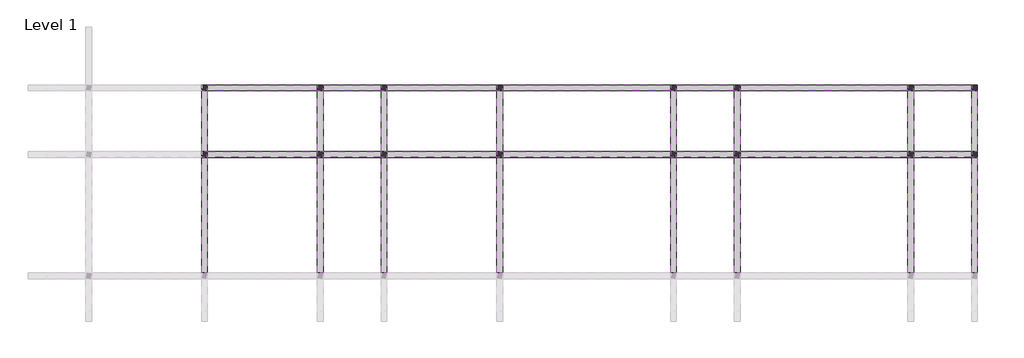
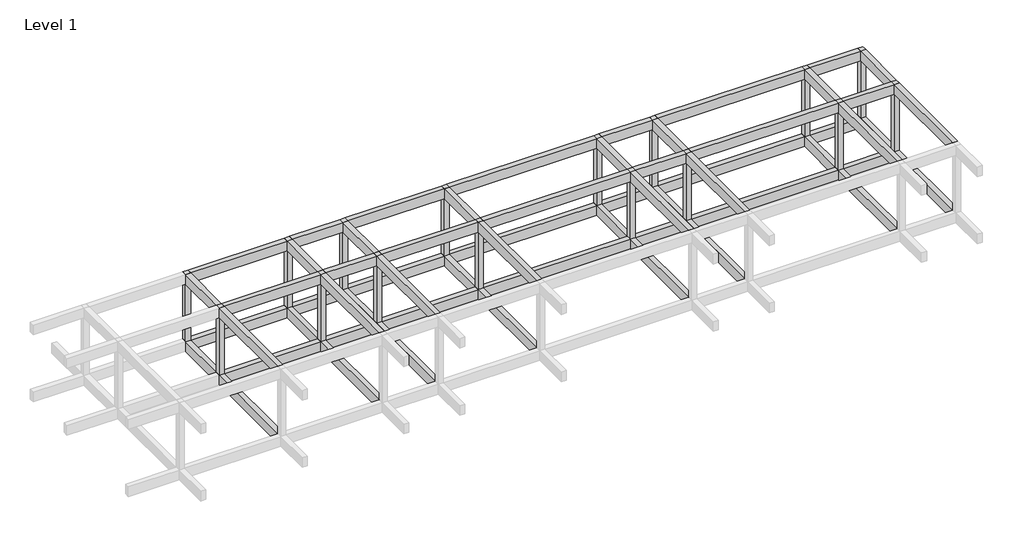
# One storey, part 5 of 5: 60 beams, 16 columns.
"""IFC4 building model written with IfcOpenShell, lengths in millimetres."""

from ifc_helpers import new_model, si_unit, frame, origin, origin_with_axes, place, context, project, spatial, polyline, outline, extrude, faceted_brep, element, save

model = new_model("IFC4")

# Units and contexts
model_context = context("Model", 3, world=origin())
ifc_project = project(units=[si_unit("LENGTHUNIT", "METRE", prefix="MILLI")], contexts=[model_context])

# Site, building, storey
site = spatial("IfcSite", under=ifc_project)
building = spatial("IfcBuilding", under=site)
storey = spatial("IfcBuildingStorey", under=building, Name="Level 1", Elevation=0.0)

# Beams
placement = place(None, origin())
element("IfcBeam", 1, ObjectType="M_Concrete-Rectangular Beam : 300 x 600mm", at=placement, inside=storey, context=model_context, shape_type="Brep", body=[
    faceted_brep([(32195.953533, 6174.2507663, 0.0), (31895.953533, 6174.2507663, 0.0), (31895.953533, 5874.2507663, 0.0), (31895.953533, -125.7492337, 0.0), (32195.953533, -125.7492337, 0.0), (32195.953533, 5874.2507663, 0.0), (32195.953533, 6174.2507663, -600.0), (32195.953533, -125.7492337, -600.0), (32195.953533, 5874.2507663, -600.0), (31895.953533, 6174.2507663, -600.0), (31895.953533, -125.7492337, -600.0), (31895.953533, 5874.2507663, -600.0)], [[[0, 1, 2, 3, 4, 5]], [[6, 0, 5, 4, 7, 8]], [[9, 6, 8, 7, 10, 11]], [[1, 9, 11, 10, 3, 2]], [[1, 0, 6, 9]], [[4, 3, 10, 7]]]),
])
element("IfcBeam", 2, ObjectType="M_Concrete-Rectangular Beam : 300 x 600mm", at=placement, inside=storey, context=model_context, shape_type="Brep", body=[
    faceted_brep([(32195.953533, 9624.2507663, 0.0), (31895.953533, 9624.2507663, 0.0), (31895.953533, 9324.2507663, 0.0), (31895.953533, 6174.2507663, 0.0), (32195.953533, 6174.2507663, 0.0), (32195.953533, 9324.2507663, 0.0), (32195.953533, 9624.2507663, -600.0), (32195.953533, 6174.2507663, -600.0), (32195.953533, 9324.2507663, -600.0), (31895.953533, 9624.2507663, -600.0), (31895.953533, 6174.2507663, -600.0), (31895.953533, 9324.2507663, -600.0)], [[[0, 1, 2, 3, 4, 5]], [[6, 0, 5, 4, 7, 8]], [[9, 6, 8, 7, 10, 11]], [[1, 9, 11, 10, 3, 2]], [[1, 0, 6, 9]], [[4, 3, 10, 7]]]),
])
element("IfcBeam", 3, ObjectType="M_Concrete-Rectangular Beam : 300 x 600mm", at=placement, inside=storey, context=model_context, shape_type="Brep", body=[
    faceted_brep([(38195.953533, 6174.2507663, 0.0), (37895.953533, 6174.2507663, 0.0), (37895.953533, 5874.2507663, 0.0), (37895.953533, -125.7492337, 0.0), (38195.953533, -125.7492337, 0.0), (38195.953533, 5874.2507663, 0.0), (38195.953533, 6174.2507663, -600.0), (38195.953533, -125.7492337, -600.0), (38195.953533, 5874.2507663, -600.0), (37895.953533, 6174.2507663, -600.0), (37895.953533, -125.7492337, -600.0), (37895.953533, 5874.2507663, -600.0)], [[[0, 1, 2, 3, 4, 5]], [[6, 0, 5, 4, 7, 8]], [[9, 6, 8, 7, 10, 11]], [[1, 9, 11, 10, 3, 2]], [[1, 0, 6, 9]], [[4, 3, 10, 7]]]),
])
element("IfcBeam", 4, ObjectType="M_Concrete-Rectangular Beam : 300 x 600mm", at=placement, inside=storey, context=model_context, shape_type="Brep", body=[
    faceted_brep([(38195.953533, 9624.2507663, 0.0), (37895.953533, 9624.2507663, 0.0), (37895.953533, 9324.2507663, 0.0), (37895.953533, 6174.2507663, 0.0), (38195.953533, 6174.2507663, 0.0), (38195.953533, 9324.2507663, 0.0), (38195.953533, 9624.2507663, -600.0), (38195.953533, 6174.2507663, -600.0), (38195.953533, 9324.2507663, -600.0), (37895.953533, 9624.2507663, -600.0), (37895.953533, 6174.2507663, -600.0), (37895.953533, 9324.2507663, -600.0)], [[[0, 1, 2, 3, 4, 5]], [[6, 0, 5, 4, 7, 8]], [[9, 6, 8, 7, 10, 11]], [[1, 9, 11, 10, 3, 2]], [[1, 0, 6, 9]], [[4, 3, 10, 7]]]),
])
element("IfcBeam", 5, ObjectType="M_Concrete-Rectangular Beam : 300 x 600mm", at=placement, inside=storey, context=model_context, shape_type="Brep", body=[
    faceted_brep([(41495.953533, 6174.2507663, 0.0), (41195.953533, 6174.2507663, 0.0), (41195.953533, 5874.2507663, 0.0), (41195.953533, -125.7492337, 0.0), (41495.953533, -125.7492337, 0.0), (41495.953533, 5874.2507663, 0.0), (41495.953533, 6174.2507663, -600.0), (41495.953533, -125.7492337, -600.0), (41495.953533, 5874.2507663, -600.0), (41195.953533, 6174.2507663, -600.0), (41195.953533, -125.7492337, -600.0), (41195.953533, 5874.2507663, -600.0)], [[[0, 1, 2, 3, 4, 5]], [[6, 0, 5, 4, 7, 8]], [[9, 6, 8, 7, 10, 11]], [[1, 9, 11, 10, 3, 2]], [[1, 0, 6, 9]], [[4, 3, 10, 7]]]),
])
element("IfcBeam", 6, ObjectType="M_Concrete-Rectangular Beam : 300 x 600mm", at=placement, inside=storey, context=model_context, shape_type="Brep", body=[
    faceted_brep([(41495.953533, 9624.2507663, 0.0), (41195.953533, 9624.2507663, 0.0), (41195.953533, 9324.2507663, 0.0), (41195.953533, 6174.2507663, 0.0), (41495.953533, 6174.2507663, 0.0), (41495.953533, 9324.2507663, 0.0), (41495.953533, 9624.2507663, -600.0), (41495.953533, 6174.2507663, -600.0), (41495.953533, 9324.2507663, -600.0), (41195.953533, 9624.2507663, -600.0), (41195.953533, 6174.2507663, -600.0), (41195.953533, 9324.2507663, -600.0)], [[[0, 1, 2, 3, 4, 5]], [[6, 0, 5, 4, 7, 8]], [[9, 6, 8, 7, 10, 11]], [[1, 9, 11, 10, 3, 2]], [[1, 0, 6, 9]], [[4, 3, 10, 7]]]),
])
element("IfcBeam", 7, ObjectType="M_Concrete-Rectangular Beam : 300 x 600mm", at=placement, inside=storey, context=model_context, shape_type="Brep", body=[
    faceted_brep([(47495.953533, 6174.2507663, 0.0), (47195.953533, 6174.2507663, 0.0), (47195.953533, 5874.2507663, 0.0), (47195.953533, -125.7492337, 0.0), (47495.953533, -125.7492337, 0.0), (47495.953533, 5874.2507663, 0.0), (47495.953533, 6174.2507663, -600.0), (47495.953533, -125.7492337, -600.0), (47495.953533, 5874.2507663, -600.0), (47195.953533, 6174.2507663, -600.0), (47195.953533, -125.7492337, -600.0), (47195.953533, 5874.2507663, -600.0)], [[[0, 1, 2, 3, 4, 5]], [[6, 0, 5, 4, 7, 8]], [[9, 6, 8, 7, 10, 11]], [[1, 9, 11, 10, 3, 2]], [[1, 0, 6, 9]], [[4, 3, 10, 7]]]),
])
element("IfcBeam", 8, ObjectType="M_Concrete-Rectangular Beam : 300 x 600mm", at=placement, inside=storey, context=model_context, shape_type="Brep", body=[
    faceted_brep([(47495.953533, 9624.2507663, 0.0), (47195.953533, 9624.2507663, 0.0), (47195.953533, 9324.2507663, 0.0), (47195.953533, 6174.2507663, 0.0), (47495.953533, 6174.2507663, 0.0), (47495.953533, 9324.2507663, 0.0), (47495.953533, 9624.2507663, -600.0), (47495.953533, 6174.2507663, -600.0), (47495.953533, 9324.2507663, -600.0), (47195.953533, 9624.2507663, -600.0), (47195.953533, 6174.2507663, -600.0), (47195.953533, 9324.2507663, -600.0)], [[[0, 1, 2, 3, 4, 5]], [[6, 0, 5, 4, 7, 8]], [[9, 6, 8, 7, 10, 11]], [[1, 9, 11, 10, 3, 2]], [[1, 0, 6, 9]], [[4, 3, 10, 7]]]),
])
element("IfcBeam", 9, ObjectType="M_Concrete-Rectangular Beam : 300 x 600mm", at=placement, inside=storey, context=model_context, shape_type="Brep", body=[
    faceted_brep([(56495.953533, 6174.2507663, 0.0), (56195.953533, 6174.2507663, 0.0), (56195.953533, 5874.2507663, 0.0), (56195.953533, -125.7492337, 0.0), (56495.953533, -125.7492337, 0.0), (56495.953533, 5874.2507663, 0.0), (56495.953533, 6174.2507663, -600.0), (56495.953533, -125.7492337, -600.0), (56495.953533, 5874.2507663, -600.0), (56195.953533, 6174.2507663, -600.0), (56195.953533, -125.7492337, -600.0), (56195.953533, 5874.2507663, -600.0)], [[[0, 1, 2, 3, 4, 5]], [[6, 0, 5, 4, 7, 8]], [[9, 6, 8, 7, 10, 11]], [[1, 9, 11, 10, 3, 2]], [[1, 0, 6, 9]], [[4, 3, 10, 7]]]),
])
element("IfcBeam", 10, ObjectType="M_Concrete-Rectangular Beam : 300 x 600mm", at=placement, inside=storey, context=model_context, shape_type="Brep", body=[
    faceted_brep([(56495.953533, 9624.2507663, 0.0), (56195.953533, 9624.2507663, 0.0), (56195.953533, 9324.2507663, 0.0), (56195.953533, 6174.2507663, 0.0), (56495.953533, 6174.2507663, 0.0), (56495.953533, 9324.2507663, 0.0), (56495.953533, 9624.2507663, -600.0), (56495.953533, 6174.2507663, -600.0), (56495.953533, 9324.2507663, -600.0), (56195.953533, 9624.2507663, -600.0), (56195.953533, 6174.2507663, -600.0), (56195.953533, 9324.2507663, -600.0)], [[[0, 1, 2, 3, 4, 5]], [[6, 0, 5, 4, 7, 8]], [[9, 6, 8, 7, 10, 11]], [[1, 9, 11, 10, 3, 2]], [[1, 0, 6, 9]], [[4, 3, 10, 7]]]),
])
element("IfcBeam", 11, ObjectType="M_Concrete-Rectangular Beam : 300 x 600mm", at=placement, inside=storey, context=model_context, shape_type="Brep", body=[
    faceted_brep([(59795.953533, 6174.2507663, 0.0), (59495.953533, 6174.2507663, 0.0), (59495.953533, 5874.2507663, 0.0), (59495.953533, -125.7492337, 0.0), (59795.953533, -125.7492337, 0.0), (59795.953533, 5874.2507663, 0.0), (59795.953533, 6174.2507663, -600.0), (59795.953533, -125.7492337, -600.0), (59795.953533, 5874.2507663, -600.0), (59495.953533, 6174.2507663, -600.0), (59495.953533, -125.7492337, -600.0), (59495.953533, 5874.2507663, -600.0)], [[[0, 1, 2, 3, 4, 5]], [[6, 0, 5, 4, 7, 8]], [[9, 6, 8, 7, 10, 11]], [[1, 9, 11, 10, 3, 2]], [[1, 0, 6, 9]], [[4, 3, 10, 7]]]),
])
element("IfcBeam", 12, ObjectType="M_Concrete-Rectangular Beam : 300 x 600mm", at=placement, inside=storey, context=model_context, shape_type="Brep", body=[
    faceted_brep([(59795.953533, 9624.2507663, 0.0), (59495.953533, 9624.2507663, 0.0), (59495.953533, 9324.2507663, 0.0), (59495.953533, 6174.2507663, 0.0), (59795.953533, 6174.2507663, 0.0), (59795.953533, 9324.2507663, 0.0), (59795.953533, 9624.2507663, -600.0), (59795.953533, 6174.2507663, -600.0), (59795.953533, 9324.2507663, -600.0), (59495.953533, 9624.2507663, -600.0), (59495.953533, 6174.2507663, -600.0), (59495.953533, 9324.2507663, -600.0)], [[[0, 1, 2, 3, 4, 5]], [[6, 0, 5, 4, 7, 8]], [[9, 6, 8, 7, 10, 11]], [[1, 9, 11, 10, 3, 2]], [[1, 0, 6, 9]], [[4, 3, 10, 7]]]),
])
element("IfcBeam", 13, ObjectType="M_Concrete-Rectangular Beam : 300 x 600mm", at=placement, inside=storey, context=model_context, shape_type="Brep", body=[
    faceted_brep([(68795.953533, 6174.2507663, 0.0), (68495.953533, 6174.2507663, 0.0), (68495.953533, 5874.2507663, 0.0), (68495.953533, -125.7492337, 0.0), (68795.953533, -125.7492337, 0.0), (68795.953533, 5874.2507663, 0.0), (68795.953533, 6174.2507663, -600.0), (68795.953533, -125.7492337, -600.0), (68795.953533, 5874.2507663, -600.0), (68495.953533, 6174.2507663, -600.0), (68495.953533, -125.7492337, -600.0), (68495.953533, 5874.2507663, -600.0)], [[[0, 1, 2, 3, 4, 5]], [[6, 0, 5, 4, 7, 8]], [[9, 6, 8, 7, 10, 11]], [[1, 9, 11, 10, 3, 2]], [[1, 0, 6, 9]], [[4, 3, 10, 7]]]),
])
element("IfcBeam", 14, ObjectType="M_Concrete-Rectangular Beam : 300 x 600mm", at=placement, inside=storey, context=model_context, shape_type="Brep", body=[
    faceted_brep([(68795.953533, 9624.2507663, 0.0), (68495.953533, 9624.2507663, 0.0), (68495.953533, 9324.2507663, 0.0), (68495.953533, 6174.2507663, 0.0), (68795.953533, 6174.2507663, 0.0), (68795.953533, 9324.2507663, 0.0), (68795.953533, 9624.2507663, -600.0), (68795.953533, 6174.2507663, -600.0), (68795.953533, 9324.2507663, -600.0), (68495.953533, 9624.2507663, -600.0), (68495.953533, 6174.2507663, -600.0), (68495.953533, 9324.2507663, -600.0)], [[[0, 1, 2, 3, 4, 5]], [[6, 0, 5, 4, 7, 8]], [[9, 6, 8, 7, 10, 11]], [[1, 9, 11, 10, 3, 2]], [[1, 0, 6, 9]], [[4, 3, 10, 7]]]),
])
element("IfcBeam", 15, ObjectType="M_Concrete-Rectangular Beam : 300 x 600mm", at=placement, inside=storey, context=model_context, shape_type="Brep", body=[
    faceted_brep([(72095.953533, 6174.2507663, 0.0), (71795.953533, 6174.2507663, 0.0), (71795.953533, 5874.2507663, 0.0), (71795.953533, -125.7492337, 0.0), (72095.953533, -125.7492337, 0.0), (72095.953533, 5874.2507663, 0.0), (72095.953533, 6174.2507663, -600.0), (72095.953533, -125.7492337, -600.0), (71795.953533, 6174.2507663, -600.0), (71795.953533, -125.7492337, -600.0), (71795.953533, 5874.2507663, -600.0)], [[[0, 1, 2, 3, 4, 5]], [[6, 0, 5, 4, 7]], [[8, 6, 7, 9, 10]], [[1, 8, 10, 9, 3, 2]], [[1, 0, 6, 8]], [[4, 3, 9, 7]]]),
])
element("IfcBeam", 16, ObjectType="M_Concrete-Rectangular Beam : 300 x 600mm", at=placement, inside=storey, context=model_context, shape_type="Brep", body=[
    faceted_brep([(72095.953533, 9624.2507663, 0.0), (71795.953533, 9624.2507663, 0.0), (71795.953533, 9324.2507663, 0.0), (71795.953533, 6174.2507663, 0.0), (72095.953533, 6174.2507663, 0.0), (72095.953533, 9324.2507663, 0.0), (72095.953533, 9624.2507663, -600.0), (72095.953533, 6174.2507663, -600.0), (71795.953533, 9624.2507663, -600.0), (71795.953533, 6174.2507663, -600.0), (71795.953533, 9324.2507663, -600.0)], [[[0, 1, 2, 3, 4, 5]], [[6, 0, 5, 4, 7]], [[8, 6, 7, 9, 10]], [[1, 8, 10, 9, 3, 2]], [[1, 0, 6, 8]], [[4, 3, 9, 7]]]),
])
element("IfcBeam", 17, ObjectType="M_Concrete-Rectangular Beam : 300 x 600mm", at=placement, inside=storey, context=model_context, shape_type="SweptSolid", body=[
    extrude(outline(polyline([(32195.953533, 9324.2507663), (32195.953533, 9624.2507663), (37895.953533, 9624.2507663), (37895.953533, 9324.2507663), (32195.953533, 9324.2507663)])), frame((0.0, 0.0, -600.0), z_axis=(0.0, 0.0, 1.0), x_axis=(1.0, 0.0, 0.0)), (0.0, 0.0, 1.0), 600.0),
])
element("IfcBeam", 18, ObjectType="M_Concrete-Rectangular Beam : 300 x 600mm", at=placement, inside=storey, context=model_context, shape_type="SweptSolid", body=[
    extrude(outline(polyline([(38195.953533, 9324.2507663), (38195.953533, 9624.2507663), (41195.953533, 9624.2507663), (41195.953533, 9324.2507663), (38195.953533, 9324.2507663)])), frame((0.0, 0.0, -600.0), z_axis=(0.0, 0.0, 1.0), x_axis=(1.0, 0.0, 0.0)), (0.0, 0.0, 1.0), 600.0),
])
element("IfcBeam", 19, ObjectType="M_Concrete-Rectangular Beam : 300 x 600mm", at=placement, inside=storey, context=model_context, shape_type="SweptSolid", body=[
    extrude(outline(polyline([(41495.953533, 9324.2507663), (41495.953533, 9624.2507663), (47195.953533, 9624.2507663), (47195.953533, 9324.2507663), (41495.953533, 9324.2507663)])), frame((0.0, 0.0, -600.0), z_axis=(0.0, 0.0, 1.0), x_axis=(1.0, 0.0, 0.0)), (0.0, 0.0, 1.0), 600.0),
])
element("IfcBeam", 20, ObjectType="M_Concrete-Rectangular Beam : 300 x 600mm", at=placement, inside=storey, context=model_context, shape_type="SweptSolid", body=[
    extrude(outline(polyline([(47495.953533, 9324.2507663), (47495.953533, 9624.2507663), (56195.953533, 9624.2507663), (56195.953533, 9324.2507663), (47495.953533, 9324.2507663)])), frame((0.0, 0.0, -600.0), z_axis=(0.0, 0.0, 1.0), x_axis=(1.0, 0.0, 0.0)), (0.0, 0.0, 1.0), 600.0),
])
element("IfcBeam", 21, ObjectType="M_Concrete-Rectangular Beam : 300 x 600mm", at=placement, inside=storey, context=model_context, shape_type="SweptSolid", body=[
    extrude(outline(polyline([(56495.953533, 9324.2507663), (56495.953533, 9624.2507663), (59495.953533, 9624.2507663), (59495.953533, 9324.2507663), (56495.953533, 9324.2507663)])), frame((0.0, 0.0, -600.0), z_axis=(0.0, 0.0, 1.0), x_axis=(1.0, 0.0, 0.0)), (0.0, 0.0, 1.0), 600.0),
])
element("IfcBeam", 22, ObjectType="M_Concrete-Rectangular Beam : 300 x 600mm", at=placement, inside=storey, context=model_context, shape_type="SweptSolid", body=[
    extrude(outline(polyline([(59795.953533, 9324.2507663), (59795.953533, 9624.2507663), (68495.953533, 9624.2507663), (68495.953533, 9324.2507663), (59795.953533, 9324.2507663)])), frame((0.0, 0.0, -600.0), z_axis=(0.0, 0.0, 1.0), x_axis=(1.0, 0.0, 0.0)), (0.0, 0.0, 1.0), 600.0),
])
element("IfcBeam", 23, ObjectType="M_Concrete-Rectangular Beam : 300 x 600mm", at=placement, inside=storey, context=model_context, shape_type="SweptSolid", body=[
    extrude(outline(polyline([(68795.953533, 9324.2507663), (68795.953533, 9624.2507663), (71795.953533, 9624.2507663), (71795.953533, 9324.2507663), (68795.953533, 9324.2507663)])), frame((0.0, 0.0, -600.0), z_axis=(0.0, 0.0, 1.0), x_axis=(1.0, 0.0, 0.0)), (0.0, 0.0, 1.0), 600.0),
])
element("IfcBeam", 24, ObjectType="M_Concrete-Rectangular Beam : 300 x 600mm", at=placement, inside=storey, context=model_context, shape_type="SweptSolid", body=[
    extrude(outline(polyline([(32195.953533, 5874.2507663), (32195.953533, 6174.2507663), (37895.953533, 6174.2507663), (37895.953533, 5874.2507663), (32195.953533, 5874.2507663)])), frame((0.0, 0.0, -600.0), z_axis=(0.0, 0.0, 1.0), x_axis=(1.0, 0.0, 0.0)), (0.0, 0.0, 1.0), 600.0),
])
element("IfcBeam", 25, ObjectType="M_Concrete-Rectangular Beam : 300 x 600mm", at=placement, inside=storey, context=model_context, shape_type="SweptSolid", body=[
    extrude(outline(polyline([(38195.953533, 5874.2507663), (38195.953533, 6174.2507663), (41195.953533, 6174.2507663), (41195.953533, 5874.2507663), (38195.953533, 5874.2507663)])), frame((0.0, 0.0, -600.0), z_axis=(0.0, 0.0, 1.0), x_axis=(1.0, 0.0, 0.0)), (0.0, 0.0, 1.0), 600.0),
])
element("IfcBeam", 26, ObjectType="M_Concrete-Rectangular Beam : 300 x 600mm", at=placement, inside=storey, context=model_context, shape_type="SweptSolid", body=[
    extrude(outline(polyline([(41495.953533, 5874.2507663), (41495.953533, 6174.2507663), (47195.953533, 6174.2507663), (47195.953533, 5874.2507663), (41495.953533, 5874.2507663)])), frame((0.0, 0.0, -600.0), z_axis=(0.0, 0.0, 1.0), x_axis=(1.0, 0.0, 0.0)), (0.0, 0.0, 1.0), 600.0),
])
element("IfcBeam", 27, ObjectType="M_Concrete-Rectangular Beam : 300 x 600mm", at=placement, inside=storey, context=model_context, shape_type="SweptSolid", body=[
    extrude(outline(polyline([(47495.953533, 5874.2507663), (47495.953533, 6174.2507663), (56195.953533, 6174.2507663), (56195.953533, 5874.2507663), (47495.953533, 5874.2507663)])), frame((0.0, 0.0, -600.0), z_axis=(0.0, 0.0, 1.0), x_axis=(1.0, 0.0, 0.0)), (0.0, 0.0, 1.0), 600.0),
])
element("IfcBeam", 28, ObjectType="M_Concrete-Rectangular Beam : 300 x 600mm", at=placement, inside=storey, context=model_context, shape_type="SweptSolid", body=[
    extrude(outline(polyline([(56495.953533, 5874.2507663), (56495.953533, 6174.2507663), (59495.953533, 6174.2507663), (59495.953533, 5874.2507663), (56495.953533, 5874.2507663)])), frame((0.0, 0.0, -600.0), z_axis=(0.0, 0.0, 1.0), x_axis=(1.0, 0.0, 0.0)), (0.0, 0.0, 1.0), 600.0),
])
element("IfcBeam", 29, ObjectType="M_Concrete-Rectangular Beam : 300 x 600mm", at=placement, inside=storey, context=model_context, shape_type="SweptSolid", body=[
    extrude(outline(polyline([(59795.953533, 5874.2507663), (59795.953533, 6174.2507663), (68495.953533, 6174.2507663), (68495.953533, 5874.2507663), (59795.953533, 5874.2507663)])), frame((0.0, 0.0, -600.0), z_axis=(0.0, 0.0, 1.0), x_axis=(1.0, 0.0, 0.0)), (0.0, 0.0, 1.0), 600.0),
])
element("IfcBeam", 30, ObjectType="M_Concrete-Rectangular Beam : 300 x 600mm", at=placement, inside=storey, context=model_context, shape_type="SweptSolid", body=[
    extrude(outline(polyline([(68795.953533, 5874.2507663), (68795.953533, 6174.2507663), (71795.953533, 6174.2507663), (71795.953533, 5874.2507663), (68795.953533, 5874.2507663)])), frame((0.0, 0.0, -600.0), z_axis=(0.0, 0.0, 1.0), x_axis=(1.0, 0.0, 0.0)), (0.0, 0.0, 1.0), 600.0),
])
element("IfcBeam", 31, ObjectType="M_Concrete-Rectangular Beam : 300 x 600mm", at=placement, inside=storey, context=model_context, shape_type="SweptSolid", body=[
    extrude(outline(polyline([(31895.953533, 5874.2507663), (32195.953533, 5874.2507663), (32195.953533, -125.7492337), (31895.953533, -125.7492337), (31895.953533, 5874.2507663)])), frame((0.0, 0.0, 3600.0), z_axis=(0.0, 0.0, 1.0), x_axis=(1.0, 0.0, 0.0)), (0.0, 0.0, 1.0), 600.0),
])
element("IfcBeam", 32, ObjectType="M_Concrete-Rectangular Beam : 300 x 600mm", at=placement, inside=storey, context=model_context, shape_type="SweptSolid", body=[
    extrude(outline(polyline([(31895.953533, 9324.2507663), (32195.953533, 9324.2507663), (32195.953533, 6174.2507663), (31895.953533, 6174.2507663), (31895.953533, 9324.2507663)])), frame((0.0, 0.0, 3600.0), z_axis=(0.0, 0.0, 1.0), x_axis=(1.0, 0.0, 0.0)), (0.0, 0.0, 1.0), 600.0),
])
element("IfcBeam", 33, ObjectType="M_Concrete-Rectangular Beam : 300 x 600mm", at=placement, inside=storey, context=model_context, shape_type="SweptSolid", body=[
    extrude(outline(polyline([(37895.953533, 5874.2507663), (38195.953533, 5874.2507663), (38195.953533, -125.7492337), (37895.953533, -125.7492337), (37895.953533, 5874.2507663)])), frame((0.0, 0.0, 3600.0), z_axis=(0.0, 0.0, 1.0), x_axis=(1.0, 0.0, 0.0)), (0.0, 0.0, 1.0), 600.0),
])
element("IfcBeam", 34, ObjectType="M_Concrete-Rectangular Beam : 300 x 600mm", at=placement, inside=storey, context=model_context, shape_type="SweptSolid", body=[
    extrude(outline(polyline([(37895.953533, 9324.2507663), (38195.953533, 9324.2507663), (38195.953533, 6174.2507663), (37895.953533, 6174.2507663), (37895.953533, 9324.2507663)])), frame((0.0, 0.0, 3600.0), z_axis=(0.0, 0.0, 1.0), x_axis=(1.0, 0.0, 0.0)), (0.0, 0.0, 1.0), 600.0),
])
element("IfcBeam", 35, ObjectType="M_Concrete-Rectangular Beam : 300 x 600mm", at=placement, inside=storey, context=model_context, shape_type="SweptSolid", body=[
    extrude(outline(polyline([(41195.953533, 5874.2507663), (41495.953533, 5874.2507663), (41495.953533, -125.7492337), (41195.953533, -125.7492337), (41195.953533, 5874.2507663)])), frame((0.0, 0.0, 3600.0), z_axis=(0.0, 0.0, 1.0), x_axis=(1.0, 0.0, 0.0)), (0.0, 0.0, 1.0), 600.0),
])
element("IfcBeam", 36, ObjectType="M_Concrete-Rectangular Beam : 300 x 600mm", at=placement, inside=storey, context=model_context, shape_type="SweptSolid", body=[
    extrude(outline(polyline([(41195.953533, 9324.2507663), (41495.953533, 9324.2507663), (41495.953533, 6174.2507663), (41195.953533, 6174.2507663), (41195.953533, 9324.2507663)])), frame((0.0, 0.0, 3600.0), z_axis=(0.0, 0.0, 1.0), x_axis=(1.0, 0.0, 0.0)), (0.0, 0.0, 1.0), 600.0),
])
element("IfcBeam", 37, ObjectType="M_Concrete-Rectangular Beam : 300 x 600mm", at=placement, inside=storey, context=model_context, shape_type="SweptSolid", body=[
    extrude(outline(polyline([(47195.953533, 5874.2507663), (47495.953533, 5874.2507663), (47495.953533, -125.7492337), (47195.953533, -125.7492337), (47195.953533, 5874.2507663)])), frame((0.0, 0.0, 3600.0), z_axis=(0.0, 0.0, 1.0), x_axis=(1.0, 0.0, 0.0)), (0.0, 0.0, 1.0), 600.0),
])
element("IfcBeam", 38, ObjectType="M_Concrete-Rectangular Beam : 300 x 600mm", at=placement, inside=storey, context=model_context, shape_type="SweptSolid", body=[
    extrude(outline(polyline([(47195.953533, 9324.2507663), (47495.953533, 9324.2507663), (47495.953533, 6174.2507663), (47195.953533, 6174.2507663), (47195.953533, 9324.2507663)])), frame((0.0, 0.0, 3600.0), z_axis=(0.0, 0.0, 1.0), x_axis=(1.0, 0.0, 0.0)), (0.0, 0.0, 1.0), 600.0),
])
element("IfcBeam", 39, ObjectType="M_Concrete-Rectangular Beam : 300 x 600mm", at=placement, inside=storey, context=model_context, shape_type="SweptSolid", body=[
    extrude(outline(polyline([(56195.953533, 5874.2507663), (56495.953533, 5874.2507663), (56495.953533, -125.7492337), (56195.953533, -125.7492337), (56195.953533, 5874.2507663)])), frame((0.0, 0.0, 3600.0), z_axis=(0.0, 0.0, 1.0), x_axis=(1.0, 0.0, 0.0)), (0.0, 0.0, 1.0), 600.0),
])
element("IfcBeam", 40, ObjectType="M_Concrete-Rectangular Beam : 300 x 600mm", at=placement, inside=storey, context=model_context, shape_type="SweptSolid", body=[
    extrude(outline(polyline([(56195.953533, 9324.2507663), (56495.953533, 9324.2507663), (56495.953533, 6174.2507663), (56195.953533, 6174.2507663), (56195.953533, 9324.2507663)])), frame((0.0, 0.0, 3600.0), z_axis=(0.0, 0.0, 1.0), x_axis=(1.0, 0.0, 0.0)), (0.0, 0.0, 1.0), 600.0),
])
element("IfcBeam", 41, ObjectType="M_Concrete-Rectangular Beam : 300 x 600mm", at=placement, inside=storey, context=model_context, shape_type="SweptSolid", body=[
    extrude(outline(polyline([(59495.953533, 5874.2507663), (59795.953533, 5874.2507663), (59795.953533, -125.7492337), (59495.953533, -125.7492337), (59495.953533, 5874.2507663)])), frame((0.0, 0.0, 3600.0), z_axis=(0.0, 0.0, 1.0), x_axis=(1.0, 0.0, 0.0)), (0.0, 0.0, 1.0), 600.0),
])
element("IfcBeam", 42, ObjectType="M_Concrete-Rectangular Beam : 300 x 600mm", at=placement, inside=storey, context=model_context, shape_type="SweptSolid", body=[
    extrude(outline(polyline([(59495.953533, 9324.2507663), (59795.953533, 9324.2507663), (59795.953533, 6174.2507663), (59495.953533, 6174.2507663), (59495.953533, 9324.2507663)])), frame((0.0, 0.0, 3600.0), z_axis=(0.0, 0.0, 1.0), x_axis=(1.0, 0.0, 0.0)), (0.0, 0.0, 1.0), 600.0),
])
element("IfcBeam", 43, ObjectType="M_Concrete-Rectangular Beam : 300 x 600mm", at=placement, inside=storey, context=model_context, shape_type="SweptSolid", body=[
    extrude(outline(polyline([(68495.953533, 5874.2507663), (68795.953533, 5874.2507663), (68795.953533, -125.7492337), (68495.953533, -125.7492337), (68495.953533, 5874.2507663)])), frame((0.0, 0.0, 3600.0), z_axis=(0.0, 0.0, 1.0), x_axis=(1.0, 0.0, 0.0)), (0.0, 0.0, 1.0), 600.0),
])
element("IfcBeam", 44, ObjectType="M_Concrete-Rectangular Beam : 300 x 600mm", at=placement, inside=storey, context=model_context, shape_type="SweptSolid", body=[
    extrude(outline(polyline([(68495.953533, 9324.2507663), (68795.953533, 9324.2507663), (68795.953533, 6174.2507663), (68495.953533, 6174.2507663), (68495.953533, 9324.2507663)])), frame((0.0, 0.0, 3600.0), z_axis=(0.0, 0.0, 1.0), x_axis=(1.0, 0.0, 0.0)), (0.0, 0.0, 1.0), 600.0),
])
element("IfcBeam", 45, ObjectType="M_Concrete-Rectangular Beam : 300 x 600mm", at=placement, inside=storey, context=model_context, shape_type="SweptSolid", body=[
    extrude(outline(polyline([(71795.953533, 5874.2507663), (72095.953533, 5874.2507663), (72095.953533, -125.7492337), (71795.953533, -125.7492337), (71795.953533, 5874.2507663)])), frame((0.0, 0.0, 3600.0), z_axis=(0.0, 0.0, 1.0), x_axis=(1.0, 0.0, 0.0)), (0.0, 0.0, 1.0), 600.0),
])
element("IfcBeam", 46, ObjectType="M_Concrete-Rectangular Beam : 300 x 600mm", at=placement, inside=storey, context=model_context, shape_type="SweptSolid", body=[
    extrude(outline(polyline([(71795.953533, 9324.2507663), (72095.953533, 9324.2507663), (72095.953533, 6174.2507663), (71795.953533, 6174.2507663), (71795.953533, 9324.2507663)])), frame((0.0, 0.0, 3600.0), z_axis=(0.0, 0.0, 1.0), x_axis=(1.0, 0.0, 0.0)), (0.0, 0.0, 1.0), 600.0),
])
element("IfcBeam", 47, ObjectType="M_Concrete-Rectangular Beam : 300 x 600mm", at=placement, inside=storey, context=model_context, shape_type="SweptSolid", body=[
    extrude(outline(polyline([(32195.953533, 9324.2507663), (32195.953533, 9624.2507663), (37895.953533, 9624.2507663), (37895.953533, 9324.2507663), (32195.953533, 9324.2507663)])), frame((0.0, 0.0, 3600.0), z_axis=(0.0, 0.0, 1.0), x_axis=(1.0, 0.0, 0.0)), (0.0, 0.0, 1.0), 600.0),
])
element("IfcBeam", 48, ObjectType="M_Concrete-Rectangular Beam : 300 x 600mm", at=placement, inside=storey, context=model_context, shape_type="SweptSolid", body=[
    extrude(outline(polyline([(38195.953533, 9324.2507663), (38195.953533, 9624.2507663), (41195.953533, 9624.2507663), (41195.953533, 9324.2507663), (38195.953533, 9324.2507663)])), frame((0.0, 0.0, 3600.0), z_axis=(0.0, 0.0, 1.0), x_axis=(1.0, 0.0, 0.0)), (0.0, 0.0, 1.0), 600.0),
])
element("IfcBeam", 49, ObjectType="M_Concrete-Rectangular Beam : 300 x 600mm", at=placement, inside=storey, context=model_context, shape_type="SweptSolid", body=[
    extrude(outline(polyline([(41495.953533, 9324.2507663), (41495.953533, 9624.2507663), (47195.953533, 9624.2507663), (47195.953533, 9324.2507663), (41495.953533, 9324.2507663)])), frame((0.0, 0.0, 3600.0), z_axis=(0.0, 0.0, 1.0), x_axis=(1.0, 0.0, 0.0)), (0.0, 0.0, 1.0), 600.0),
])
element("IfcBeam", 50, ObjectType="M_Concrete-Rectangular Beam : 300 x 600mm", at=placement, inside=storey, context=model_context, shape_type="SweptSolid", body=[
    extrude(outline(polyline([(47495.953533, 9324.2507663), (47495.953533, 9624.2507663), (56195.953533, 9624.2507663), (56195.953533, 9324.2507663), (47495.953533, 9324.2507663)])), frame((0.0, 0.0, 3600.0), z_axis=(0.0, 0.0, 1.0), x_axis=(1.0, 0.0, 0.0)), (0.0, 0.0, 1.0), 600.0),
])
element("IfcBeam", 51, ObjectType="M_Concrete-Rectangular Beam : 300 x 600mm", at=placement, inside=storey, context=model_context, shape_type="SweptSolid", body=[
    extrude(outline(polyline([(56495.953533, 9324.2507663), (56495.953533, 9624.2507663), (59495.953533, 9624.2507663), (59495.953533, 9324.2507663), (56495.953533, 9324.2507663)])), frame((0.0, 0.0, 3600.0), z_axis=(0.0, 0.0, 1.0), x_axis=(1.0, 0.0, 0.0)), (0.0, 0.0, 1.0), 600.0),
])
element("IfcBeam", 52, ObjectType="M_Concrete-Rectangular Beam : 300 x 600mm", at=placement, inside=storey, context=model_context, shape_type="SweptSolid", body=[
    extrude(outline(polyline([(59795.953533, 9324.2507663), (59795.953533, 9624.2507663), (68495.953533, 9624.2507663), (68495.953533, 9324.2507663), (59795.953533, 9324.2507663)])), frame((0.0, 0.0, 3600.0), z_axis=(0.0, 0.0, 1.0), x_axis=(1.0, 0.0, 0.0)), (0.0, 0.0, 1.0), 600.0),
])
element("IfcBeam", 53, ObjectType="M_Concrete-Rectangular Beam : 300 x 600mm", at=placement, inside=storey, context=model_context, shape_type="SweptSolid", body=[
    extrude(outline(polyline([(68795.953533, 9324.2507663), (68795.953533, 9624.2507663), (71795.953533, 9624.2507663), (71795.953533, 9324.2507663), (68795.953533, 9324.2507663)])), frame((0.0, 0.0, 3600.0), z_axis=(0.0, 0.0, 1.0), x_axis=(1.0, 0.0, 0.0)), (0.0, 0.0, 1.0), 600.0),
])
element("IfcBeam", 54, ObjectType="M_Concrete-Rectangular Beam : 300 x 600mm", at=placement, inside=storey, context=model_context, shape_type="SweptSolid", body=[
    extrude(outline(polyline([(32195.953533, 5874.2507663), (32195.953533, 6174.2507663), (37895.953533, 6174.2507663), (37895.953533, 5874.2507663), (32195.953533, 5874.2507663)])), frame((0.0, 0.0, 3600.0), z_axis=(0.0, 0.0, 1.0), x_axis=(1.0, 0.0, 0.0)), (0.0, 0.0, 1.0), 600.0),
])
element("IfcBeam", 55, ObjectType="M_Concrete-Rectangular Beam : 300 x 600mm", at=placement, inside=storey, context=model_context, shape_type="SweptSolid", body=[
    extrude(outline(polyline([(38195.953533, 5874.2507663), (38195.953533, 6174.2507663), (41195.953533, 6174.2507663), (41195.953533, 5874.2507663), (38195.953533, 5874.2507663)])), frame((0.0, 0.0, 3600.0), z_axis=(0.0, 0.0, 1.0), x_axis=(1.0, 0.0, 0.0)), (0.0, 0.0, 1.0), 600.0),
])
element("IfcBeam", 56, ObjectType="M_Concrete-Rectangular Beam : 300 x 600mm", at=placement, inside=storey, context=model_context, shape_type="SweptSolid", body=[
    extrude(outline(polyline([(41495.953533, 5874.2507663), (41495.953533, 6174.2507663), (47195.953533, 6174.2507663), (47195.953533, 5874.2507663), (41495.953533, 5874.2507663)])), frame((0.0, 0.0, 3600.0), z_axis=(0.0, 0.0, 1.0), x_axis=(1.0, 0.0, 0.0)), (0.0, 0.0, 1.0), 600.0),
])
element("IfcBeam", 57, ObjectType="M_Concrete-Rectangular Beam : 300 x 600mm", at=placement, inside=storey, context=model_context, shape_type="SweptSolid", body=[
    extrude(outline(polyline([(47495.953533, 5874.2507663), (47495.953533, 6174.2507663), (56195.953533, 6174.2507663), (56195.953533, 5874.2507663), (47495.953533, 5874.2507663)])), frame((0.0, 0.0, 3600.0), z_axis=(0.0, 0.0, 1.0), x_axis=(1.0, 0.0, 0.0)), (0.0, 0.0, 1.0), 600.0),
])
element("IfcBeam", 58, ObjectType="M_Concrete-Rectangular Beam : 300 x 600mm", at=placement, inside=storey, context=model_context, shape_type="SweptSolid", body=[
    extrude(outline(polyline([(56495.953533, 5874.2507663), (56495.953533, 6174.2507663), (59495.953533, 6174.2507663), (59495.953533, 5874.2507663), (56495.953533, 5874.2507663)])), frame((0.0, 0.0, 3600.0), z_axis=(0.0, 0.0, 1.0), x_axis=(1.0, 0.0, 0.0)), (0.0, 0.0, 1.0), 600.0),
])
element("IfcBeam", 59, ObjectType="M_Concrete-Rectangular Beam : 300 x 600mm", at=placement, inside=storey, context=model_context, shape_type="SweptSolid", body=[
    extrude(outline(polyline([(59795.953533, 5874.2507663), (59795.953533, 6174.2507663), (68495.953533, 6174.2507663), (68495.953533, 5874.2507663), (59795.953533, 5874.2507663)])), frame((0.0, 0.0, 3600.0), z_axis=(0.0, 0.0, 1.0), x_axis=(1.0, 0.0, 0.0)), (0.0, 0.0, 1.0), 600.0),
])
element("IfcBeam", 60, ObjectType="M_Concrete-Rectangular Beam : 300 x 600mm", at=placement, inside=storey, context=model_context, shape_type="SweptSolid", body=[
    extrude(outline(polyline([(68795.953533, 5874.2507663), (68795.953533, 6174.2507663), (71795.953533, 6174.2507663), (71795.953533, 5874.2507663), (68795.953533, 5874.2507663)])), frame((0.0, 0.0, 3600.0), z_axis=(0.0, 0.0, 1.0), x_axis=(1.0, 0.0, 0.0)), (0.0, 0.0, 1.0), 600.0),
])

# Columns
element("IfcColumn", 61, ObjectType="M_Concrete-Square-Column : 300 x 300mm", at=placement, inside=storey, context=model_context, shape_type="SweptSolid", body=[
    extrude(outline(polyline([(32195.953533, 9624.2507663), (32195.953533, 9324.2507663), (31895.953533, 9324.2507663), (31895.953533, 9624.2507663), (32195.953533, 9624.2507663)])), origin_with_axes(), (0.0, 0.0, 1.0), 4200.0),
])
element("IfcColumn", 62, ObjectType="M_Concrete-Square-Column : 300 x 300mm", at=placement, inside=storey, context=model_context, shape_type="SweptSolid", body=[
    extrude(outline(polyline([(32195.953533, 6174.2507663), (32195.953533, 5874.2507663), (31895.953533, 5874.2507663), (31895.953533, 6174.2507663), (32195.953533, 6174.2507663)])), origin_with_axes(), (0.0, 0.0, 1.0), 4200.0),
])
element("IfcColumn", 63, ObjectType="M_Concrete-Square-Column : 300 x 300mm", at=placement, inside=storey, context=model_context, shape_type="SweptSolid", body=[
    extrude(outline(polyline([(38195.953533, 9624.2507663), (38195.953533, 9324.2507663), (37895.953533, 9324.2507663), (37895.953533, 9624.2507663), (38195.953533, 9624.2507663)])), origin_with_axes(), (0.0, 0.0, 1.0), 4200.0),
])
element("IfcColumn", 64, ObjectType="M_Concrete-Square-Column : 300 x 300mm", at=placement, inside=storey, context=model_context, shape_type="SweptSolid", body=[
    extrude(outline(polyline([(38195.953533, 6174.2507663), (38195.953533, 5874.2507663), (37895.953533, 5874.2507663), (37895.953533, 6174.2507663), (38195.953533, 6174.2507663)])), origin_with_axes(), (0.0, 0.0, 1.0), 4200.0),
])
element("IfcColumn", 65, ObjectType="M_Concrete-Square-Column : 300 x 300mm", at=placement, inside=storey, context=model_context, shape_type="SweptSolid", body=[
    extrude(outline(polyline([(41495.953533, 9624.2507663), (41495.953533, 9324.2507663), (41195.953533, 9324.2507663), (41195.953533, 9624.2507663), (41495.953533, 9624.2507663)])), origin_with_axes(), (0.0, 0.0, 1.0), 4200.0),
])
element("IfcColumn", 66, ObjectType="M_Concrete-Square-Column : 300 x 300mm", at=placement, inside=storey, context=model_context, shape_type="SweptSolid", body=[
    extrude(outline(polyline([(41495.953533, 6174.2507663), (41495.953533, 5874.2507663), (41195.953533, 5874.2507663), (41195.953533, 6174.2507663), (41495.953533, 6174.2507663)])), origin_with_axes(), (0.0, 0.0, 1.0), 4200.0),
])
element("IfcColumn", 67, ObjectType="M_Concrete-Square-Column : 300 x 300mm", at=placement, inside=storey, context=model_context, shape_type="SweptSolid", body=[
    extrude(outline(polyline([(47495.953533, 9624.2507663), (47495.953533, 9324.2507663), (47195.953533, 9324.2507663), (47195.953533, 9624.2507663), (47495.953533, 9624.2507663)])), origin_with_axes(), (0.0, 0.0, 1.0), 4200.0),
])
element("IfcColumn", 68, ObjectType="M_Concrete-Square-Column : 300 x 300mm", at=placement, inside=storey, context=model_context, shape_type="SweptSolid", body=[
    extrude(outline(polyline([(47495.953533, 6174.2507663), (47495.953533, 5874.2507663), (47195.953533, 5874.2507663), (47195.953533, 6174.2507663), (47495.953533, 6174.2507663)])), origin_with_axes(), (0.0, 0.0, 1.0), 4200.0),
])
element("IfcColumn", 69, ObjectType="M_Concrete-Square-Column : 300 x 300mm", at=placement, inside=storey, context=model_context, shape_type="SweptSolid", body=[
    extrude(outline(polyline([(56495.953533, 9624.2507663), (56495.953533, 9324.2507663), (56195.953533, 9324.2507663), (56195.953533, 9624.2507663), (56495.953533, 9624.2507663)])), origin_with_axes(), (0.0, 0.0, 1.0), 4200.0),
])
element("IfcColumn", 70, ObjectType="M_Concrete-Square-Column : 300 x 300mm", at=placement, inside=storey, context=model_context, shape_type="SweptSolid", body=[
    extrude(outline(polyline([(56495.953533, 6174.2507663), (56495.953533, 5874.2507663), (56195.953533, 5874.2507663), (56195.953533, 6174.2507663), (56495.953533, 6174.2507663)])), origin_with_axes(), (0.0, 0.0, 1.0), 4200.0),
])
element("IfcColumn", 71, ObjectType="M_Concrete-Square-Column : 300 x 300mm", at=placement, inside=storey, context=model_context, shape_type="SweptSolid", body=[
    extrude(outline(polyline([(59795.953533, 9624.2507663), (59795.953533, 9324.2507663), (59495.953533, 9324.2507663), (59495.953533, 9624.2507663), (59795.953533, 9624.2507663)])), origin_with_axes(), (0.0, 0.0, 1.0), 4200.0),
])
element("IfcColumn", 72, ObjectType="M_Concrete-Square-Column : 300 x 300mm", at=placement, inside=storey, context=model_context, shape_type="SweptSolid", body=[
    extrude(outline(polyline([(59795.953533, 6174.2507663), (59795.953533, 5874.2507663), (59495.953533, 5874.2507663), (59495.953533, 6174.2507663), (59795.953533, 6174.2507663)])), origin_with_axes(), (0.0, 0.0, 1.0), 4200.0),
])
element("IfcColumn", 73, ObjectType="M_Concrete-Square-Column : 300 x 300mm", at=placement, inside=storey, context=model_context, shape_type="SweptSolid", body=[
    extrude(outline(polyline([(68795.953533, 9624.2507663), (68795.953533, 9324.2507663), (68495.953533, 9324.2507663), (68495.953533, 9624.2507663), (68795.953533, 9624.2507663)])), origin_with_axes(), (0.0, 0.0, 1.0), 4200.0),
])
element("IfcColumn", 74, ObjectType="M_Concrete-Square-Column : 300 x 300mm", at=placement, inside=storey, context=model_context, shape_type="SweptSolid", body=[
    extrude(outline(polyline([(68795.953533, 6174.2507663), (68795.953533, 5874.2507663), (68495.953533, 5874.2507663), (68495.953533, 6174.2507663), (68795.953533, 6174.2507663)])), origin_with_axes(), (0.0, 0.0, 1.0), 4200.0),
])
element("IfcColumn", 75, ObjectType="M_Concrete-Square-Column : 300 x 300mm", at=placement, inside=storey, context=model_context, shape_type="SweptSolid", body=[
    extrude(outline(polyline([(72095.953533, 9624.2507663), (72095.953533, 9324.2507663), (71795.953533, 9324.2507663), (71795.953533, 9624.2507663), (72095.953533, 9624.2507663)])), origin_with_axes(), (0.0, 0.0, 1.0), 4200.0),
])
element("IfcColumn", 76, ObjectType="M_Concrete-Square-Column : 300 x 300mm", at=placement, inside=storey, context=model_context, shape_type="SweptSolid", body=[
    extrude(outline(polyline([(72095.953533, 6174.2507663), (72095.953533, 5874.2507663), (71795.953533, 5874.2507663), (71795.953533, 6174.2507663), (72095.953533, 6174.2507663)])), origin_with_axes(), (0.0, 0.0, 1.0), 4200.0),
])

save(model, "model.ifc")
